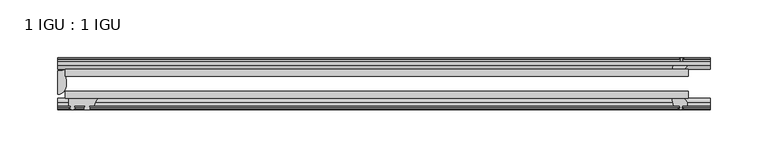
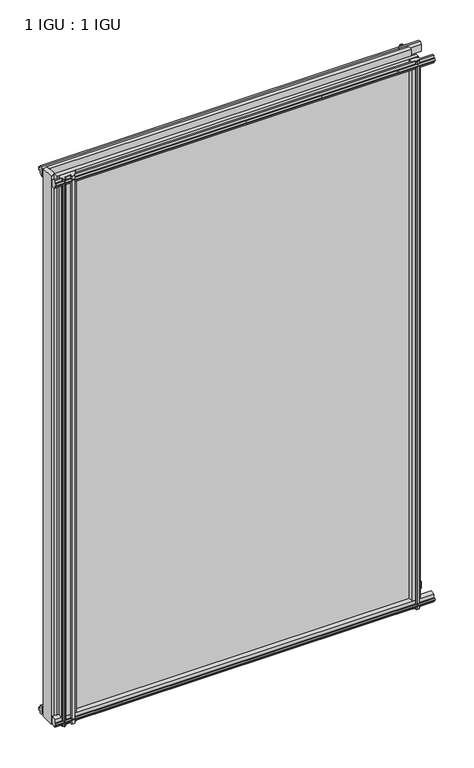
"""IFC4 building model written with IfcOpenShell, lengths in millimetres: plate geometry, 1 IGU : 1 IGU."""

import ifcopenshell
import ifcopenshell.guid

model = None  # the IFC model being written
_history = None  # IfcOwnerHistory: only IFC2X3 demands one
_inside = {}  # id of a spatial element -> (the spatial element, [elements in it])
_under = {}  # id of a project, library or spatial element -> (it, [spatial elements below it])
_declared = {}  # id of a project -> (the project, [libraries it declares])
_typed = {}  # id of a type object -> (the type object, [elements of that type])
_made_of = {}  # id of a material, layer set ... -> (it, [elements and type objects made of it])


def new_model(schema):
    """Start an empty IFC model of exactly this schema.

    Asked for "IFC4X3", IfcOpenShell would pick the latest addendum, in which some entities
    have other attributes; the version numbers below select the first issue.
    IFC2X3 requires an IfcOwnerHistory on every rooted entity: one is made here for all.
    """
    global model, _history
    if schema == "IFC4X3":
        model = ifcopenshell.file(schema_version=(4, 3, 0, 0))
    else:
        model = ifcopenshell.file(schema=schema)
    _inside.clear()
    _under.clear()
    _declared.clear()
    _typed.clear()
    _made_of.clear()
    _history = None
    if model.schema == "IFC2X3":
        org = make("IfcOrganization", Name="unknown")
        user = make(
            "IfcPersonAndOrganization",
            ThePerson=make("IfcPerson", FamilyName="unknown"),
            TheOrganization=org,
        )
        app = make(
            "IfcApplication",
            ApplicationDeveloper=org,
            Version="unknown",
            ApplicationFullName="unknown",
            ApplicationIdentifier="unknown",
        )
        _history = make(
            "IfcOwnerHistory",
            OwningUser=user,
            OwningApplication=app,
            ChangeAction="ADDED",
            CreationDate=0,
        )
    return model


def make(cls, **values):
    """One entity of the class cls with the attributes given. An attribute that is None is left unset."""
    return model.create_entity(
        cls, **{name: value for name, value in values.items() if value is not None}
    )


def rooted(cls, **values):
    """An entity with a GlobalId (a new one), such as an element, a storey or a relation."""
    return make(cls, GlobalId=ifcopenshell.guid.new(), OwnerHistory=_history, **values)


def si_unit(unit_type, name, prefix=None):
    """IfcSIUnit, for example si_unit("LENGTHUNIT", "METRE", prefix="MILLI")."""
    return make("IfcSIUnit", UnitType=unit_type, Prefix=prefix, Name=name)


def assignment(units):
    """IfcUnitAssignment: the units of a project."""
    return None if units is None else make("IfcUnitAssignment", Units=units)


def point(xyz):
    """IfcCartesianPoint."""
    return None if xyz is None else make("IfcCartesianPoint", Coordinates=xyz)


def direction(xyz):
    """IfcDirection."""
    return None if xyz is None else make("IfcDirection", DirectionRatios=xyz)


def frame(location, z_axis=None, x_axis=None):
    """IfcAxis2Placement3D, a coordinate frame: its origin and axes. An axis left out is left unset."""
    return make(
        "IfcAxis2Placement3D",
        Location=point(location),
        Axis=direction(z_axis),
        RefDirection=direction(x_axis),
    )


def frame_2d(location, x_axis=None):
    """IfcAxis2Placement2D, a coordinate frame in the plane: its origin and x axis."""
    return make(
        "IfcAxis2Placement2D", Location=point(location), RefDirection=direction(x_axis)
    )


def origin():
    """The frame at (0, 0, 0) with its axes left unset."""
    return frame((0.0, 0.0, 0.0))


def place(relative_to, where):
    """IfcLocalPlacement: puts the frame where relative to a parent placement (None: the world)."""
    return make(
        "IfcLocalPlacement", PlacementRelTo=relative_to, RelativePlacement=where
    )


def context(
    kind, dimensions, precision=None, world=None, true_north=None, identifier=None
):
    """IfcGeometricRepresentationContext, for example the 3D "Model" context."""
    return make(
        "IfcGeometricRepresentationContext",
        ContextIdentifier=identifier,
        ContextType=kind,
        CoordinateSpaceDimension=dimensions,
        Precision=precision,
        WorldCoordinateSystem=world,
        TrueNorth=true_north,
    )


def project(units=None, contexts=None):
    """IfcProject with its units and contexts."""
    return rooted(
        "IfcProject",
        Name="project",
        RepresentationContexts=contexts,
        UnitsInContext=assignment(units),
    )


def spatial(cls, under=None, at=None, **own):
    """A site, building, storey or space (cls), placed at a placement, below another one or the project."""
    s = rooted(cls, ObjectPlacement=at, **own)
    if under is not None:
        _under.setdefault(under.id(), (under, []))[1].append(s)
    return s


def polyline(points):
    """IfcPolyline through the points."""
    return make("IfcPolyline", Points=[point(p) for p in points])


def circle_curve(where, radius):
    """IfcCircle in the frame where."""
    return make("IfcCircle", Position=where, Radius=radius)


def ellipse_curve(where, semi_axis1, semi_axis2):
    """IfcEllipse in the frame where."""
    return make(
        "IfcEllipse", Position=where, SemiAxis1=semi_axis1, SemiAxis2=semi_axis2
    )


def trimmed(basis, trim1, trim2, sense, master):
    """IfcTrimmedCurve: the piece of a basis curve between two trims."""
    return make(
        "IfcTrimmedCurve",
        BasisCurve=basis,
        Trim1=trim1,
        Trim2=trim2,
        SenseAgreement=sense,
        MasterRepresentation=master,
    )


def segment(curve, same_sense, transition):
    """IfcCompositeCurveSegment."""
    return make(
        "IfcCompositeCurveSegment",
        Transition=transition,
        SameSense=same_sense,
        ParentCurve=curve,
    )


def composite_curve(segments, self_intersect=None):
    """IfcCompositeCurve: segments joined end to end."""
    return make("IfcCompositeCurve", Segments=segments, SelfIntersect=self_intersect)


def outline(outer, holes=None, kind="AREA"):
    """IfcArbitraryClosedProfileDef: a profile drawn as a closed curve; with holes, ...WithVoids."""
    if holes is None:
        return make("IfcArbitraryClosedProfileDef", ProfileType=kind, OuterCurve=outer)
    return make(
        "IfcArbitraryProfileDefWithVoids",
        ProfileType=kind,
        OuterCurve=outer,
        InnerCurves=holes,
    )


def extrude(swept, where, along, depth):
    """IfcExtrudedAreaSolid: the profile swept, set in the frame where, extruded along a direction by depth."""
    return make(
        "IfcExtrudedAreaSolid",
        SweptArea=swept,
        Position=where,
        ExtrudedDirection=direction(along),
        Depth=depth,
    )


def shape(context_of_items, identifier, shape_type, items):
    """IfcShapeRepresentation: the items that make up one representation, for example the "Body"."""
    return make(
        "IfcShapeRepresentation",
        ContextOfItems=context_of_items,
        RepresentationIdentifier=identifier,
        RepresentationType=shape_type,
        Items=items,
    )


def source(mapping_origin, context_of_items, identifier, shape_type, items):
    """IfcRepresentationMap: a shape defined once, which mapped items show again and again."""
    return make(
        "IfcRepresentationMap",
        MappingOrigin=mapping_origin,
        MappedRepresentation=shape(context_of_items, identifier, shape_type, items),
    )


def transform(
    local_origin,
    x_axis=None,
    y_axis=None,
    z_axis=None,
    scale=None,
    scale2=None,
    scale3=None,
    uniform=True,
):
    """IfcCartesianTransformationOperator3D, or its non-uniform kind. x_axis, y_axis, z_axis: its Axis1, 2, 3."""
    if uniform:
        return make(
            "IfcCartesianTransformationOperator3D",
            Axis1=direction(x_axis),
            Axis2=direction(y_axis),
            LocalOrigin=point(local_origin),
            Scale=scale,
            Axis3=direction(z_axis),
        )
    return make(
        "IfcCartesianTransformationOperator3DnonUniform",
        Axis1=direction(x_axis),
        Axis2=direction(y_axis),
        LocalOrigin=point(local_origin),
        Scale=scale,
        Axis3=direction(z_axis),
        Scale2=scale2,
        Scale3=scale3,
    )


def mapped(mapping_source, mapping_target):
    """IfcMappedItem: shows the shape of a source again, moved by a transform."""
    return make(
        "IfcMappedItem", MappingSource=mapping_source, MappingTarget=mapping_target
    )


def made_of(thing, what):
    """Note that an element or type object is made of a material, layer set ...; save() writes the relation."""
    if what is not None:
        _made_of.setdefault(what.id(), (what, []))[1].append(thing)
    return thing


def element(
    cls,
    number,
    at=None,
    inside=None,
    cuts=None,
    type_object=None,
    material=None,
    context=None,
    identifier="Body",
    shape_type=None,
    held_by="IfcProductDefinitionShape",
    body=None,
    shapes=None,
    **own,
):
    """One element of the class cls, such as IfcWall. Its Tag is "e" and its number.

    at: its placement. inside: the storey or other place that contains it. cuts: it is an
    opening in that element (IfcRelVoidsElement). A single representation is given by context,
    identifier, shape_type and body (its items); several are given by shapes. held_by: the class
    of the entity that holds the representations. save() writes the other relations.
    """
    e = rooted(cls, Tag="e%d" % number, ObjectPlacement=at, **own)
    if body is not None:
        shapes = [shape(context, identifier, shape_type, body)]
    if shapes is not None:
        e.Representation = make(held_by, Representations=shapes)
    if inside is not None:
        _inside.setdefault(inside.id(), (inside, []))[1].append(e)
    if cuts is not None:
        rooted(
            "IfcRelVoidsElement", RelatingBuildingElement=cuts, RelatedOpeningElement=e
        )
    if type_object is not None:
        _typed.setdefault(type_object.id(), (type_object, []))[1].append(e)
    return made_of(e, material)


def aggregate(whole, parts):
    """IfcRelAggregates: a whole, such as a stair, and the parts it consists of."""
    return rooted("IfcRelAggregates", RelatingObject=whole, RelatedObjects=parts)


def save(model, path):
    """Write the relations noted so far, then the file.

    IfcRelAggregates (storeys below a building ...), IfcRelContainedInSpatialStructure (elements
    in a storey), IfcRelDefinesByType, IfcRelAssociatesMaterial and IfcRelDeclares: one each for
    every whole, place, type object, material and project.
    """
    for whole, parts in _under.values():
        aggregate(whole, parts)
    for where, things in _inside.values():
        rooted(
            "IfcRelContainedInSpatialStructure",
            RelatedElements=things,
            RelatingStructure=where,
        )
    for kind, things in _typed.values():
        rooted("IfcRelDefinesByType", RelatedObjects=things, RelatingType=kind)
    for what, things in _made_of.values():
        rooted("IfcRelAssociatesMaterial", RelatedObjects=things, RelatingMaterial=what)
    for by, libraries in _declared.values():
        rooted("IfcRelDeclares", RelatingContext=by, RelatedDefinitions=libraries)
    model.write(path)


def plane_surface(at):
    """IfcPlane: the flat surface through the origin of the frame at, square to its z axis."""
    return make("IfcPlane", Position=at)


def cylinder_surface(at, radius):
    """IfcCylindricalSurface: all points at the distance radius from the z axis of the frame at."""
    return make("IfcCylindricalSurface", Position=at, Radius=radius)


def revolved_surface(curve, axis_point, axis_direction):
    """IfcSurfaceOfRevolution: the curve turned about the line through axis_point along axis_direction."""
    return make(
        "IfcSurfaceOfRevolution",
        SweptCurve=make("IfcArbitraryOpenProfileDef", ProfileType="CURVE", Curve=curve),
        AxisPosition=make("IfcAxis1Placement", Location=point(axis_point), Axis=direction(axis_direction)),
    )


def extruded_surface(curve, direction_of_extrusion, depth):
    """IfcSurfaceOfLinearExtrusion: the curve pushed along a direction by depth."""
    return make(
        "IfcSurfaceOfLinearExtrusion",
        SweptCurve=make("IfcArbitraryOpenProfileDef", ProfileType="CURVE", Curve=curve),
        ExtrudedDirection=direction(direction_of_extrusion),
        Depth=depth,
    )


def advanced_brep(points, edges, surfaces, faces):
    """IfcAdvancedBrep: a solid bounded by faces that lie on surfaces and meet in shared edges.

    An edge is (start, end): straight between two places in points (the first is 0);
    or (start, end, curve); or (start, end, curve, False) where it runs against its curve.
    A face is (place in surfaces, loops), or (place, loops, False) where it looks against
    its surface's normal. A loop lists edges by number (the first is 1), with a minus sign
    where the edge is run from its end to its start. The first loop is the outer one.
    """
    corners = [point(p) for p in points]
    vertices = [make("IfcVertexPoint", VertexGeometry=c) for c in corners]
    made = []
    for start, end, *more in edges:
        made.append(
            make(
                "IfcEdgeCurve",
                EdgeStart=vertices[start],
                EdgeEnd=vertices[end],
                EdgeGeometry=more[0] if more else make("IfcPolyline", Points=[corners[start], corners[end]]),
                SameSense=more[1] if len(more) > 1 else True,
            )
        )
    hull = []
    for where, loops, *sense in faces:
        bounds = []
        for j, loop in enumerate(loops):
            ring = [make("IfcOrientedEdge", EdgeElement=made[abs(k) - 1], Orientation=k > 0) for k in loop]
            bounds.append(
                make(
                    "IfcFaceOuterBound" if j == 0 else "IfcFaceBound",
                    Bound=make("IfcEdgeLoop", EdgeList=ring),
                    Orientation=True,
                )
            )
        hull.append(make("IfcAdvancedFace", Bounds=bounds, FaceSurface=surfaces[where], SameSense=sense[0] if sense else True))
    return make("IfcAdvancedBrep", Outer=make("IfcClosedShell", CfsFaces=hull))


def plate_1_igu_1_igu_f393297d(model_context):
    return source(origin(), model_context, "Body", "SolidModel", [
        extrude(outline(polyline([(-276.1995836, -38.6468937), (263.4995836, -38.6468937), (263.4995836, -44.9460938), (-276.1995836, -44.9460938), (-276.1995836, -38.6468937)])), frame((0.0, 0.0, -12.7), z_axis=(0.0, 0.0, 1.0), x_axis=(1.0, 0.0, 0.0)), (0.0, 0.0, 1.0), 863.5999996),
        extrude(outline(polyline([(-276.1995836, -19.5460937), (263.4995836, -19.5460937), (263.4995836, -25.8960938), (-276.1995836, -25.8960938), (-276.1995836, -19.5460937)])), frame((0.0, 0.0, -12.7), z_axis=(0.0, 0.0, 1.0), x_axis=(1.0, 0.0, 0.0)), (0.0, 0.0, 1.0), 863.5999996),
        advanced_brep(
        [(-282.5495836, -21.1706006, -12.7), (-276.2009717, -19.5461438, -12.7), (-276.2009717, -25.8549351, -12.7), (-275.0256204, -32.21431, -12.7), (-282.5495836, -41.5384043, -12.7), (-282.5495836, -21.1706006, 850.8999996), (-282.5495836, -41.5384043, 850.8999996), (-275.0256204, -32.21431, 850.8999996), (-276.2009717, -25.8549351, 850.8999996), (-276.2009717, -19.5461438, 850.8999996)],
        [
            (0, 1, circle_curve(frame((-282.550153, -7.9505008, -12.7), z_axis=(0.0, 0.0, 1.0), x_axis=(1.0, 0.0, 0.0)), 13.2200998)),
            (1, 2),
            (2, 3, circle_curve(frame((-293.0879847, -32.2643264, -12.7), z_axis=(0.0, 0.0, -1.0), x_axis=(1.0, 0.0, 0.0)), 18.0624336)),
            (3, 4, ellipse_curve(frame((-282.5487506, -32.2460921, -12.7), z_axis=(0.0, 0.0, -1.0), x_axis=(0.0, -1.0, 0.0)), 9.2923123, 7.5231742)),
            (4, 0),
            (5, 6),
            (6, 7, ellipse_curve(frame((-282.5487506, -32.2460921, 850.8999996), z_axis=(0.0, 0.0, 1.0), x_axis=(0.0, -1.0, 0.0)), 9.2923123, 7.5231742)),
            (7, 8, circle_curve(frame((-293.0879847, -32.2643264, 850.8999996), z_axis=(0.0, 0.0, 1.0), x_axis=(1.0, 0.0, 0.0)), 18.0624336)),
            (8, 9),
            (9, 5, circle_curve(frame((-282.550153, -7.9505008, 850.8999996), z_axis=(0.0, 0.0, -1.0), x_axis=(1.0, 0.0, 0.0)), 13.2200998)),
            (0, 5),
            (9, 1),
            (8, 2),
            (7, 3),
            (6, 4),
        ],
        [
            plane_surface(frame((-282.5495836, -13.1960937, -12.7), z_axis=(0.0, 0.0, -1.0), x_axis=(0.0, 1.0, 0.0))),
            plane_surface(frame((-282.5495836, -13.1960937, 850.8999996), z_axis=(0.0, 0.0, 1.0), x_axis=(0.0, 1.0, 0.0))),
            revolved_surface(polyline([(-269.3300532, -7.9505008, 850.8999996), (-269.3300532, -7.9505008, -12.7)]), (-282.550153, -7.9505008, -12.7), (0.0, 0.0, 1.0)),
            plane_surface(frame((-276.2009717, -19.5461438, -12.7), z_axis=(1.0, 0.0, 0.0), x_axis=(0.0, 0.0, 1.0))),
            cylinder_surface(frame((-293.0879847, -32.2643264, -12.7), z_axis=(0.0, 0.0, -1.0), x_axis=(1.0, 0.0, 0.0)), 18.0624336),
            extruded_surface(trimmed(ellipse_curve(frame((-282.5487506, -32.2460921, 850.8999996), z_axis=(0.0, 0.0, -1.0), x_axis=(0.0, -1.0, 0.0)), 9.2923123, 7.5231742), [point((-275.0256204, -32.21431, 850.8999996))], [point((-282.5495836, -41.5384043, 850.8999996))], True, "CARTESIAN"), (0.0, 0.0, -863.5999996), 863.5999996),
            plane_surface(frame((-282.5495836, -41.5384043, -12.7), z_axis=(-1.0, 0.0, 0.0), x_axis=(0.0, 0.0, 1.0))),
        ],
        [
            (0, [[1, 2, 3, 4, 5]]),
            (1, [[6, 7, 8, 9, 10]]),
            (2, [[-1, 11, -10, 12]]),
            (3, [[-2, -12, -9, 13]]),
            (4, [[-3, -13, -8, 14]]),
            (5, [[-4, -14, -7, 15]]),
            (6, [[-5, -15, -6, -11]]),
        ],
    ),
        extrude(outline(polyline([(-44.9460937, 1.7177181), (-44.9460937, -9.1036578), (-48.3496937, -11.938), (-51.2960937, -11.938), (-51.2960937, -7.493), (-53.6762907, -7.112), (-53.2163575, -8.5275291), (-54.0175717, -8.5275291), (-54.7250937, -6.35), (-54.0175717, -4.1724709), (-53.2163575, -4.1724709), (-53.6762907, -5.588), (-51.2960937, -5.207), (-51.2960937, 0.0), (-44.9460937, 1.7177181)])), frame((-282.5495836, 0.0, 0.0), z_axis=(1.0, 0.0, 0.0), x_axis=(0.0, 1.0, 0.0)), (0.0, 0.0, 1.0), 565.0991671),
        extrude(outline(polyline([(-13.1960937, -12.4587), (-16.1424937, -12.4587), (-19.5460937, -9.6243578), (-19.5460937, 1.1970181), (-13.1960937, -0.5207), (-13.1960937, -5.7277), (-10.8158968, -6.1087), (-11.27583, -4.6931709), (-10.4746158, -4.6931709), (-9.7670937, -6.8707), (-10.4746158, -9.0482291), (-11.27583, -9.0482291), (-10.8158968, -7.6327), (-13.1960937, -8.0137), (-13.1960937, -12.4587)])), frame((-282.5495836, 0.0, 0.0), z_axis=(1.0, 0.0, 0.0), x_axis=(0.0, 1.0, 0.0)), (0.0, 0.0, 1.0), 565.0991671),
        extrude(outline(polyline([(-51.2960937, 850.1379996), (-48.3496937, 850.1379996), (-44.9460937, 847.3036575), (-44.9460937, 836.4822816), (-51.2960937, 838.1999996), (-51.2960937, 843.4069996), (-53.6762907, 843.7879996), (-53.2163575, 842.3724706), (-54.0175717, 842.3724706), (-54.7250937, 844.5499996), (-54.0175717, 846.7275287), (-53.2163575, 846.7275287), (-53.6762907, 845.3119996), (-51.2960937, 845.6929996), (-51.2960937, 850.1379996)])), frame((-282.5495836, 0.0, 0.0), z_axis=(1.0, 0.0, 0.0), x_axis=(0.0, 1.0, 0.0)), (0.0, 0.0, 1.0), 565.0991671),
        extrude(outline(polyline([(-19.5460937, 837.0029816), (-19.5460937, 847.8243575), (-16.1424937, 850.6586996), (-13.1960937, 850.6586996), (-13.1960937, 846.2136996), (-10.8158968, 845.8326996), (-11.27583, 847.2482287), (-10.4746158, 847.2482287), (-9.7670937, 845.0706996), (-10.4746158, 842.8931706), (-11.27583, 842.8931706), (-10.8158968, 844.3086996), (-13.1960937, 843.9276996), (-13.1960937, 838.7206996), (-19.5460937, 837.0029816)])), frame((-282.5495836, 0.0, 0.0), z_axis=(1.0, 0.0, 0.0), x_axis=(0.0, 1.0, 0.0)), (0.0, 0.0, 1.0), 565.0991671),
        extrude(outline(composite_curve([segment(trimmed(circle_curve(frame_2d((-241.7836522, -51.9750196)), 9.0414579), [point((-247.4706692, -44.9460938))], [point((-250.7995837, -51.2960938))], True, "CARTESIAN"), True, "CONTINUOUS"), segment(polyline([(-250.7995837, -51.2960938), (-255.0413837, -51.2960938)]), True, "CONTINUOUS"), segment(trimmed(circle_curve(frame_2d((-255.0413837, -51.7532938)), 0.4572), [point((-255.0413837, -51.2960938))], [point((-255.3802016, -52.0602698))], True, "CARTESIAN"), True, "CONTINUOUS"), segment(trimmed(circle_curve(frame_2d((-257.1495837, -53.663367)), 2.3876), [point((-255.3802016, -52.0602698))], [point((-255.0789407, -54.8520938))], False, "CARTESIAN"), True, "CONTINUOUS"), segment(polyline([(-255.0789407, -54.8520938), (-259.2202267, -54.8520938)]), True, "CONTINUOUS"), segment(trimmed(circle_curve(frame_2d((-257.1495837, -53.663367)), 2.3876), [point((-259.2202267, -54.8520938))], [point((-258.9189659, -52.0602698))], False, "CARTESIAN"), True, "CONTINUOUS"), segment(trimmed(circle_curve(frame_2d((-259.2577837, -51.7532938)), 0.4572), [point((-258.9189659, -52.0602698))], [point((-259.2577837, -51.2960938))], True, "CARTESIAN"), True, "CONTINUOUS"), segment(polyline([(-259.2577837, -51.2960938), (-268.3255837, -51.2960938), (-268.3255837, -52.9470938), (-267.247953, -52.9470938)]), True, "CONTINUOUS"), segment(trimmed(circle_curve(frame_2d((-268.3255837, -52.9470938)), 1.0776307), [point((-267.247953, -52.9470938))], [point((-267.5635837, -53.7090938))], False, "CARTESIAN"), True, "CONTINUOUS"), segment(polyline([(-267.5635837, -53.7090938), (-269.3028761, -54.8194621)]), True, "CONTINUOUS"), segment(trimmed(circle_curve(frame_2d((-269.8495837, -53.9630938)), 1.016), [point((-269.3028761, -54.8194621))], [point((-270.3962913, -54.8194621))], False, "CARTESIAN"), True, "CONTINUOUS"), segment(polyline([(-270.3962913, -54.8194621), (-272.1355837, -53.7090938)]), True, "CONTINUOUS"), segment(trimmed(circle_curve(frame_2d((-271.3735837, -52.9470938)), 1.0776307), [point((-272.1355837, -53.7090938))], [point((-272.4512144, -52.9470938))], False, "CARTESIAN"), True, "CONTINUOUS"), segment(polyline([(-272.4512144, -52.9470938), (-271.3735837, -52.9470938), (-271.3735837, -51.2960938), (-273.0245837, -51.2960938), (-273.0245837, -44.9460938), (-247.4706692, -44.9460938)]), True, "CONTINUOUS")], self_intersect=False)), frame((0.0, 0.0, -12.7), z_axis=(0.0, 0.0, 1.0), x_axis=(1.0, 0.0, 0.0)), (0.0, 0.0, 1.0), 863.5999998),
        extrude(outline(polyline([(249.6025655, -19.5460938), (251.3202836, -13.1960938), (256.5272836, -13.1960938), (256.9082836, -10.8158968), (255.4927545, -11.27583), (255.4927545, -10.4746158), (257.6702836, -9.7670938), (259.8478126, -10.4746158), (259.8478126, -11.27583), (258.4322836, -10.8158968), (258.8132836, -13.1960938), (263.2582836, -13.1960938), (263.2582836, -16.1424938), (260.4239414, -19.5460938), (249.6025655, -19.5460938)])), frame((0.0, 0.0, -12.7), z_axis=(0.0, 0.0, 1.0), x_axis=(1.0, 0.0, 0.0)), (0.0, 0.0, 1.0), 863.5999998),
        extrude(outline(polyline([(249.0818655, -44.9460938), (259.9032414, -44.9460938), (262.7375836, -48.3496938), (262.7375836, -51.2960938), (258.2925836, -51.2960938), (257.9115836, -53.6762907), (259.3271126, -53.2163575), (259.3271126, -54.0175717), (257.1495836, -54.7250938), (254.9720545, -54.0175717), (254.9720545, -53.2163575), (256.3875836, -53.6762907), (256.0065836, -51.2960938), (250.7995836, -51.2960938), (249.0818655, -44.9460938)])), frame((0.0, 0.0, -12.7), z_axis=(0.0, 0.0, 1.0), x_axis=(1.0, 0.0, 0.0)), (0.0, 0.0, 1.0), 863.5999998),
    ])


if __name__ == "__main__":
    model = new_model("IFC4")
    model_context = context("Model", 3, world=origin())
    ifc_project = project(units=[si_unit("LENGTHUNIT", "METRE", prefix="MILLI")], contexts=[model_context])
    site = spatial("IfcSite", under=ifc_project)
    building = spatial("IfcBuilding", under=site)
    placement = place(None, origin())
    plate_1_igu_1_igu_shape = plate_1_igu_1_igu_f393297d(model_context)
    element("IfcPlate", 1, ObjectType="1 IGU : 1 IGU", at=placement, inside=building, context=model_context, shape_type="MappedRepresentation", body=[
        mapped(plate_1_igu_1_igu_shape, transform((0.0, 0.0, 0.0), x_axis=(1.0, 0.0, 0.0), y_axis=(0.0, 1.0, 0.0), z_axis=(0.0, 0.0, 1.0))),
    ])
    save(model, "model.ifc")
